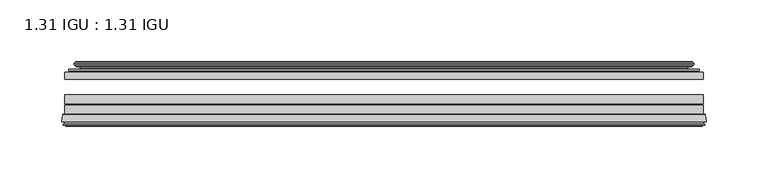
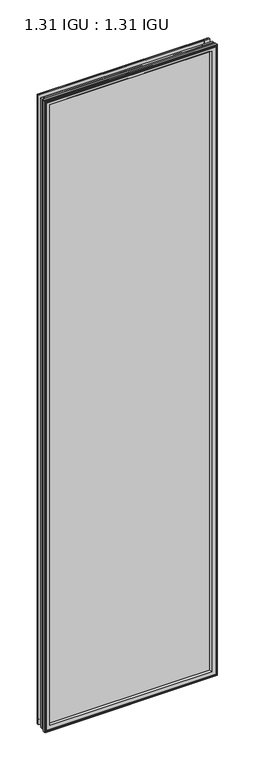
"""IFC4 building model written with IfcOpenShell, lengths in millimetres: plate geometry, 1.31 IGU : 1.31 IGU."""

import ifcopenshell
import ifcopenshell.guid

model = None  # the IFC model being written
_history = None  # IfcOwnerHistory: only IFC2X3 demands one
_inside = {}  # id of a spatial element -> (the spatial element, [elements in it])
_under = {}  # id of a project, library or spatial element -> (it, [spatial elements below it])
_declared = {}  # id of a project -> (the project, [libraries it declares])
_typed = {}  # id of a type object -> (the type object, [elements of that type])
_made_of = {}  # id of a material, layer set ... -> (it, [elements and type objects made of it])


def new_model(schema):
    """Start an empty IFC model of exactly this schema.

    Asked for "IFC4X3", IfcOpenShell would pick the latest addendum, in which some entities
    have other attributes; the version numbers below select the first issue.
    IFC2X3 requires an IfcOwnerHistory on every rooted entity: one is made here for all.
    """
    global model, _history
    if schema == "IFC4X3":
        model = ifcopenshell.file(schema_version=(4, 3, 0, 0))
    else:
        model = ifcopenshell.file(schema=schema)
    _inside.clear()
    _under.clear()
    _declared.clear()
    _typed.clear()
    _made_of.clear()
    _history = None
    if model.schema == "IFC2X3":
        org = make("IfcOrganization", Name="unknown")
        user = make(
            "IfcPersonAndOrganization",
            ThePerson=make("IfcPerson", FamilyName="unknown"),
            TheOrganization=org,
        )
        app = make(
            "IfcApplication",
            ApplicationDeveloper=org,
            Version="unknown",
            ApplicationFullName="unknown",
            ApplicationIdentifier="unknown",
        )
        _history = make(
            "IfcOwnerHistory",
            OwningUser=user,
            OwningApplication=app,
            ChangeAction="ADDED",
            CreationDate=0,
        )
    return model


def make(cls, **values):
    """One entity of the class cls with the attributes given. An attribute that is None is left unset."""
    return model.create_entity(
        cls, **{name: value for name, value in values.items() if value is not None}
    )


def rooted(cls, **values):
    """An entity with a GlobalId (a new one), such as an element, a storey or a relation."""
    return make(cls, GlobalId=ifcopenshell.guid.new(), OwnerHistory=_history, **values)


def si_unit(unit_type, name, prefix=None):
    """IfcSIUnit, for example si_unit("LENGTHUNIT", "METRE", prefix="MILLI")."""
    return make("IfcSIUnit", UnitType=unit_type, Prefix=prefix, Name=name)


def assignment(units):
    """IfcUnitAssignment: the units of a project."""
    return None if units is None else make("IfcUnitAssignment", Units=units)


def point(xyz):
    """IfcCartesianPoint."""
    return None if xyz is None else make("IfcCartesianPoint", Coordinates=xyz)


def direction(xyz):
    """IfcDirection."""
    return None if xyz is None else make("IfcDirection", DirectionRatios=xyz)


def frame(location, z_axis=None, x_axis=None):
    """IfcAxis2Placement3D, a coordinate frame: its origin and axes. An axis left out is left unset."""
    return make(
        "IfcAxis2Placement3D",
        Location=point(location),
        Axis=direction(z_axis),
        RefDirection=direction(x_axis),
    )


def origin():
    """The frame at (0, 0, 0) with its axes left unset."""
    return frame((0.0, 0.0, 0.0))


def place(relative_to, where):
    """IfcLocalPlacement: puts the frame where relative to a parent placement (None: the world)."""
    return make(
        "IfcLocalPlacement", PlacementRelTo=relative_to, RelativePlacement=where
    )


def context(
    kind, dimensions, precision=None, world=None, true_north=None, identifier=None
):
    """IfcGeometricRepresentationContext, for example the 3D "Model" context."""
    return make(
        "IfcGeometricRepresentationContext",
        ContextIdentifier=identifier,
        ContextType=kind,
        CoordinateSpaceDimension=dimensions,
        Precision=precision,
        WorldCoordinateSystem=world,
        TrueNorth=true_north,
    )


def project(units=None, contexts=None):
    """IfcProject with its units and contexts."""
    return rooted(
        "IfcProject",
        Name="project",
        RepresentationContexts=contexts,
        UnitsInContext=assignment(units),
    )


def spatial(cls, under=None, at=None, **own):
    """A site, building, storey or space (cls), placed at a placement, below another one or the project."""
    s = rooted(cls, ObjectPlacement=at, **own)
    if under is not None:
        _under.setdefault(under.id(), (under, []))[1].append(s)
    return s


def polyline(points):
    """IfcPolyline through the points."""
    return make("IfcPolyline", Points=[point(p) for p in points])


def ellipse_curve(where, semi_axis1, semi_axis2):
    """IfcEllipse in the frame where."""
    return make(
        "IfcEllipse", Position=where, SemiAxis1=semi_axis1, SemiAxis2=semi_axis2
    )


def outline(outer, holes=None, kind="AREA"):
    """IfcArbitraryClosedProfileDef: a profile drawn as a closed curve; with holes, ...WithVoids."""
    if holes is None:
        return make("IfcArbitraryClosedProfileDef", ProfileType=kind, OuterCurve=outer)
    return make(
        "IfcArbitraryProfileDefWithVoids",
        ProfileType=kind,
        OuterCurve=outer,
        InnerCurves=holes,
    )


def extrude(swept, where, along, depth):
    """IfcExtrudedAreaSolid: the profile swept, set in the frame where, extruded along a direction by depth."""
    return make(
        "IfcExtrudedAreaSolid",
        SweptArea=swept,
        Position=where,
        ExtrudedDirection=direction(along),
        Depth=depth,
    )


def shape(context_of_items, identifier, shape_type, items):
    """IfcShapeRepresentation: the items that make up one representation, for example the "Body"."""
    return make(
        "IfcShapeRepresentation",
        ContextOfItems=context_of_items,
        RepresentationIdentifier=identifier,
        RepresentationType=shape_type,
        Items=items,
    )


def source(mapping_origin, context_of_items, identifier, shape_type, items):
    """IfcRepresentationMap: a shape defined once, which mapped items show again and again."""
    return make(
        "IfcRepresentationMap",
        MappingOrigin=mapping_origin,
        MappedRepresentation=shape(context_of_items, identifier, shape_type, items),
    )


def transform(
    local_origin,
    x_axis=None,
    y_axis=None,
    z_axis=None,
    scale=None,
    scale2=None,
    scale3=None,
    uniform=True,
):
    """IfcCartesianTransformationOperator3D, or its non-uniform kind. x_axis, y_axis, z_axis: its Axis1, 2, 3."""
    if uniform:
        return make(
            "IfcCartesianTransformationOperator3D",
            Axis1=direction(x_axis),
            Axis2=direction(y_axis),
            LocalOrigin=point(local_origin),
            Scale=scale,
            Axis3=direction(z_axis),
        )
    return make(
        "IfcCartesianTransformationOperator3DnonUniform",
        Axis1=direction(x_axis),
        Axis2=direction(y_axis),
        LocalOrigin=point(local_origin),
        Scale=scale,
        Axis3=direction(z_axis),
        Scale2=scale2,
        Scale3=scale3,
    )


def mapped(mapping_source, mapping_target):
    """IfcMappedItem: shows the shape of a source again, moved by a transform."""
    return make(
        "IfcMappedItem", MappingSource=mapping_source, MappingTarget=mapping_target
    )


def made_of(thing, what):
    """Note that an element or type object is made of a material, layer set ...; save() writes the relation."""
    if what is not None:
        _made_of.setdefault(what.id(), (what, []))[1].append(thing)
    return thing


def element(
    cls,
    number,
    at=None,
    inside=None,
    cuts=None,
    type_object=None,
    material=None,
    context=None,
    identifier="Body",
    shape_type=None,
    held_by="IfcProductDefinitionShape",
    body=None,
    shapes=None,
    **own,
):
    """One element of the class cls, such as IfcWall. Its Tag is "e" and its number.

    at: its placement. inside: the storey or other place that contains it. cuts: it is an
    opening in that element (IfcRelVoidsElement). A single representation is given by context,
    identifier, shape_type and body (its items); several are given by shapes. held_by: the class
    of the entity that holds the representations. save() writes the other relations.
    """
    e = rooted(cls, Tag="e%d" % number, ObjectPlacement=at, **own)
    if body is not None:
        shapes = [shape(context, identifier, shape_type, body)]
    if shapes is not None:
        e.Representation = make(held_by, Representations=shapes)
    if inside is not None:
        _inside.setdefault(inside.id(), (inside, []))[1].append(e)
    if cuts is not None:
        rooted(
            "IfcRelVoidsElement", RelatingBuildingElement=cuts, RelatedOpeningElement=e
        )
    if type_object is not None:
        _typed.setdefault(type_object.id(), (type_object, []))[1].append(e)
    return made_of(e, material)


def aggregate(whole, parts):
    """IfcRelAggregates: a whole, such as a stair, and the parts it consists of."""
    return rooted("IfcRelAggregates", RelatingObject=whole, RelatedObjects=parts)


def save(model, path):
    """Write the relations noted so far, then the file.

    IfcRelAggregates (storeys below a building ...), IfcRelContainedInSpatialStructure (elements
    in a storey), IfcRelDefinesByType, IfcRelAssociatesMaterial and IfcRelDeclares: one each for
    every whole, place, type object, material and project.
    """
    for whole, parts in _under.values():
        aggregate(whole, parts)
    for where, things in _inside.values():
        rooted(
            "IfcRelContainedInSpatialStructure",
            RelatedElements=things,
            RelatingStructure=where,
        )
    for kind, things in _typed.values():
        rooted("IfcRelDefinesByType", RelatedObjects=things, RelatingType=kind)
    for what, things in _made_of.values():
        rooted("IfcRelAssociatesMaterial", RelatedObjects=things, RelatingMaterial=what)
    for by, libraries in _declared.values():
        rooted("IfcRelDeclares", RelatingContext=by, RelatedDefinitions=libraries)
    model.write(path)


def plane_surface(at):
    """IfcPlane: the flat surface through the origin of the frame at, square to its z axis."""
    return make("IfcPlane", Position=at)


def cylinder_surface(at, radius):
    """IfcCylindricalSurface: all points at the distance radius from the z axis of the frame at."""
    return make("IfcCylindricalSurface", Position=at, Radius=radius)


def revolved_surface(curve, axis_point, axis_direction):
    """IfcSurfaceOfRevolution: the curve turned about the line through axis_point along axis_direction."""
    return make(
        "IfcSurfaceOfRevolution",
        SweptCurve=make("IfcArbitraryOpenProfileDef", ProfileType="CURVE", Curve=curve),
        AxisPosition=make("IfcAxis1Placement", Location=point(axis_point), Axis=direction(axis_direction)),
    )


def advanced_brep(points, edges, surfaces, faces):
    """IfcAdvancedBrep: a solid bounded by faces that lie on surfaces and meet in shared edges.

    An edge is (start, end): straight between two places in points (the first is 0);
    or (start, end, curve); or (start, end, curve, False) where it runs against its curve.
    A face is (place in surfaces, loops), or (place, loops, False) where it looks against
    its surface's normal. A loop lists edges by number (the first is 1), with a minus sign
    where the edge is run from its end to its start. The first loop is the outer one.
    """
    corners = [point(p) for p in points]
    vertices = [make("IfcVertexPoint", VertexGeometry=c) for c in corners]
    made = []
    for start, end, *more in edges:
        made.append(
            make(
                "IfcEdgeCurve",
                EdgeStart=vertices[start],
                EdgeEnd=vertices[end],
                EdgeGeometry=more[0] if more else make("IfcPolyline", Points=[corners[start], corners[end]]),
                SameSense=more[1] if len(more) > 1 else True,
            )
        )
    hull = []
    for where, loops, *sense in faces:
        bounds = []
        for j, loop in enumerate(loops):
            ring = [make("IfcOrientedEdge", EdgeElement=made[abs(k) - 1], Orientation=k > 0) for k in loop]
            bounds.append(
                make(
                    "IfcFaceOuterBound" if j == 0 else "IfcFaceBound",
                    Bound=make("IfcEdgeLoop", EdgeList=ring),
                    Orientation=True,
                )
            )
        hull.append(make("IfcAdvancedFace", Bounds=bounds, FaceSurface=surfaces[where], SameSense=sense[0] if sense else True))
    return make("IfcAdvancedBrep", Outer=make("IfcClosedShell", CfsFaces=hull))


def plate_1_31_igu_1_31_igu_8d2aa2a3(model_context):
    return source(origin(), model_context, "Body", "SolidModel", [
        extrude(outline(polyline([(258.7575649, -44.8960875), (258.7575649, -50.4332875), (-258.7625, -50.4332875), (-258.7625, -44.8960875), (258.7575649, -44.8960875)])), frame((0.0, 0.0, -14.2875), z_axis=(0.0, 0.0, 1.0), x_axis=(1.0, 0.0, 0.0)), (0.0, 0.0, 1.0), 2009.67848),
        extrude(outline(polyline([(-258.7625, -78.7796875), (-258.7625, -71.7692875), (258.7575649, -71.7692875), (258.7575649, -78.7796875), (-258.7625, -78.7796875)])), frame((0.0, 0.0, -14.2875), z_axis=(0.0, 0.0, 1.0), x_axis=(1.0, 0.0, 0.0)), (0.0, 0.0, 1.0), 2009.67848),
        extrude(outline(polyline([(-258.7625, -70.2452875), (-258.7625, -63.1332875), (258.7575649, -63.1332875), (258.7575649, -70.2452875), (-258.7625, -70.2452875)])), frame((0.0, 0.0, -14.2875), z_axis=(0.0, 0.0, 1.0), x_axis=(1.0, 0.0, 0.0)), (0.0, 0.0, 1.0), 2009.67848),
        advanced_brep(
        [(-261.3094039, -85.1296875, 1997.9378839), (-260.6146201, -79.4711276, 1997.2431001), (-260.6146201, -79.4711276, -16.1396201), (-261.3094039, -85.1296875, -16.8344039), (-258.9218039, -87.1207518, 1995.5502839), (-259.3790039, -85.1296875, 1996.0074839), (-259.3790039, -85.1296875, -14.9040039), (-258.9218039, -87.1207518, -14.4468039), (-259.9231658, -86.8524376, 1996.5516458), (-259.9231658, -86.8524376, -15.4481658), (-260.1664039, -87.7602147, 1996.7948839), (-260.1664039, -87.7602147, -15.6914039), (-258.1344039, -88.3046875, 1994.7628839), (-258.1344039, -88.3046875, -13.6594039), (-256.1024039, -87.7602147, 1992.7308839), (-256.1024039, -87.7602147, -11.6274039), (-256.3456421, -86.8524376, 1992.9741221), (-256.3456421, -86.8524376, -11.8706421), (-257.3470039, -87.1207518, 1993.9754839), (-257.3470039, -87.1207518, -12.8720039), (-256.8898039, -85.1296875, 1993.5182839), (-256.8898039, -85.1296875, -12.4148039), (-259.8330893, -78.7796875, 1996.4615693), (-259.8330893, -78.7796875, -15.3580893), (260.6146201, -79.4711276, -16.1396201), (261.3094039, -85.1296875, -16.8344039), (259.3790039, -85.1296875, -14.9040039), (258.9218039, -87.1207518, -14.4468039), (259.9231658, -86.8524376, -15.4481658), (260.1664039, -87.7602147, -15.6914039), (258.1344039, -88.3046875, -13.6594039), (256.1024039, -87.7602147, -11.6274039), (256.3456421, -86.8524376, -11.8706421), (257.3470039, -87.1207518, -12.8720039), (256.8898039, -85.1296875, -12.4148039), (259.8330893, -78.7796875, -15.3580893), (260.6146201, -79.4711276, 1997.2431001), (261.3094039, -85.1296875, 1997.9378839), (259.3790039, -85.1296875, 1996.0074839), (258.9218039, -87.1207518, 1995.5502839), (259.9231658, -86.8524376, 1996.5516458), (260.1664039, -87.7602147, 1996.7948839), (258.1344039, -88.3046875, 1994.7628839), (256.1024039, -87.7602147, 1992.7308839), (256.3456421, -86.8524376, 1992.9741221), (257.3470039, -87.1207518, 1993.9754839), (256.8898039, -85.1296875, 1993.5182839), (259.8330893, -78.7796875, 1996.4615693), (-244.4872131, -85.1296875, 1981.1156931), (244.4872131, -85.1296875, 1981.1156931), (244.4872131, -85.1296875, -0.0122131), (-244.4872131, -85.1296875, -0.0122131), (-241.1709362, -78.7796875, 3.3040638), (241.1709362, -78.7796875, 3.3040638), (241.1709362, -78.7796875, 1977.7994162), (-241.1709362, -78.7796875, 1977.7994162)],
        [
            (0, 1),
            (1, 2),
            (2, 3),
            (3, 0),
            (4, 5),
            (5, 6),
            (6, 7),
            (7, 4),
            (8, 4),
            (7, 9),
            (9, 8),
            (10, 8),
            (9, 11),
            (11, 10),
            (12, 10),
            (11, 13),
            (13, 12),
            (14, 12),
            (13, 15),
            (15, 14),
            (16, 14),
            (15, 17),
            (17, 16),
            (18, 16),
            (17, 19),
            (19, 18),
            (20, 18),
            (19, 21),
            (21, 20),
            (1, 22, ellipse_curve(frame((-259.8330893, -79.5670875, 1996.4615693), z_axis=(-0.7071067811865475, 0.0, -0.7071067811865475), x_axis=(-0.7071067811865474, 0.0, 0.7071067811865476)), 1.1135518, 0.7874)),
            (22, 23),
            (23, 2, ellipse_curve(frame((-259.8330893, -79.5670875, -15.3580893), z_axis=(-0.7071067811865475, 0.0, 0.7071067811865475), x_axis=(0.7071067811865474, 0.0, 0.7071067811865476)), 1.1135518, 0.7874)),
            (2, 24),
            (24, 25),
            (25, 3),
            (6, 26),
            (26, 27),
            (27, 7),
            (27, 28),
            (28, 9),
            (28, 29),
            (29, 11),
            (29, 30),
            (30, 13),
            (30, 31),
            (31, 15),
            (31, 32),
            (32, 17),
            (32, 33),
            (33, 19),
            (33, 34),
            (34, 21),
            (23, 35),
            (35, 24, ellipse_curve(frame((259.8330893, -79.5670875, -15.3580893), z_axis=(-0.7071067811865475, 0.0, -0.7071067811865475), x_axis=(-0.7071067811865476, 0.0, 0.7071067811865474)), 1.1135518, 0.7874)),
            (24, 36),
            (36, 37),
            (37, 25),
            (26, 38),
            (38, 39),
            (39, 27),
            (39, 40),
            (40, 28),
            (40, 41),
            (41, 29),
            (41, 42),
            (42, 30),
            (42, 43),
            (43, 31),
            (43, 44),
            (44, 32),
            (44, 45),
            (45, 33),
            (45, 46),
            (46, 34),
            (35, 47),
            (47, 36, ellipse_curve(frame((259.8330893, -79.5670875, 1996.4615693), z_axis=(0.7071067811865475, 0.0, -0.7071067811865475), x_axis=(-0.7071067811865474, 0.0, -0.7071067811865476)), 1.1135518, 0.7874)),
            (36, 1),
            (0, 37),
            (5, 38),
            (4, 39),
            (8, 40),
            (10, 41),
            (12, 42),
            (14, 43),
            (16, 44),
            (18, 45),
            (20, 46),
            (48, 49),
            (49, 50),
            (50, 51),
            (51, 48),
            (22, 47),
            (52, 53),
            (53, 54),
            (54, 55),
            (55, 52),
            (55, 48, ellipse_curve(frame((-233.2379182, -86.963653, 1969.8663982), z_axis=(0.7071067811865475, 0.0, 0.7071067811865475), x_axis=(0.7071067811865474, 0.0, -0.7071067811865476)), 16.118937, 11.3978097)),
            (51, 52, ellipse_curve(frame((-233.2379182, -86.963653, 11.2370818), z_axis=(0.7071067811865475, 0.0, -0.7071067811865475), x_axis=(-0.7071067811865474, 0.0, -0.7071067811865476)), 16.118937, 11.3978097)),
            (50, 53, ellipse_curve(frame((233.2379182, -86.963653, 11.2370818), z_axis=(0.7071067811865475, 0.0, 0.7071067811865475), x_axis=(0.7071067811865476, 0.0, -0.7071067811865474)), 16.118937, 11.3978097)),
            (49, 54, ellipse_curve(frame((233.2379182, -86.963653, 1969.8663982), z_axis=(-0.7071067811865475, 0.0, 0.7071067811865475), x_axis=(0.7071067811865474, 0.0, 0.7071067811865476)), 16.118937, 11.3978097)),
        ],
        [
            plane_surface(frame((-260.6146201, -79.4711276, 1997.2431001), z_axis=(-0.9925461516413008, 0.12186934340532068, 0.0), x_axis=(0.0, 0.0, -1.0))),
            plane_surface(frame((-259.3790039, -85.1296875, 1996.0074839), z_axis=(-0.9746347637895997, -0.22380142361654332, 0.0), x_axis=(0.0, 0.0, -1.0))),
            plane_surface(frame((-258.9218039, -87.1207518, 1995.5502839), z_axis=(0.25881904510266784, 0.9659258262890289, 0.0), x_axis=(0.0, 0.0, -1.0))),
            plane_surface(frame((-259.9231658, -86.8524376, 1996.5516458), z_axis=(-0.9659258262890449, 0.2588190451026083, 0.0), x_axis=(0.0, 0.0, -1.0))),
            plane_surface(frame((-260.1664039, -87.7602147, 1996.7948839), z_axis=(-0.2588190451025689, -0.9659258262890554, 0.0), x_axis=(0.0, 0.0, -1.0))),
            plane_surface(frame((-258.1344039, -88.3046875, 1994.7628839), z_axis=(0.25881904510241466, -0.9659258262890968, 0.0), x_axis=(0.0, 0.0, -1.0))),
            plane_surface(frame((-256.1024039, -87.7602147, 1992.7308839), z_axis=(0.9659258262890272, 0.25881904510267406, 0.0), x_axis=(0.0, 0.0, -1.0))),
            plane_surface(frame((-256.3456421, -86.8524376, 1992.9741221), z_axis=(-0.25881904510234177, 0.9659258262891163, 0.0), x_axis=(0.0, 0.0, -1.0))),
            plane_surface(frame((-257.3470039, -87.1207518, 1993.9754839), z_axis=(0.9746347637895936, -0.2238014236165695, 0.0), x_axis=(0.0, 0.0, -1.0))),
            cylinder_surface(frame((-259.8330893, -79.5670875, 2012.85348), z_axis=(0.0, 0.0, 1.0), x_axis=(-1.0, 0.0, 0.0)), 0.7874),
            plane_surface(frame((-260.6146201, -79.4711276, -16.1396201), z_axis=(0.0, 0.12186934340531747, -0.9925461516413012), x_axis=(1.0, 0.0, 0.0))),
            plane_surface(frame((-259.3790039, -85.1296875, -14.9040039), z_axis=(0.0, -0.22380142361654648, -0.9746347637895989), x_axis=(1.0, 0.0, 0.0))),
            plane_surface(frame((-258.9218039, -87.1207518, -14.4468039), z_axis=(0.0, 0.9659258262890298, 0.25881904510266474), x_axis=(1.0, 0.0, 0.0))),
            plane_surface(frame((-259.9231658, -86.8524376, -15.4481658), z_axis=(0.0, 0.25881904510260517, -0.9659258262890458), x_axis=(1.0, 0.0, 0.0))),
            plane_surface(frame((-260.1664039, -87.7602147, -15.6914039), z_axis=(0.0, -0.9659258262890563, -0.2588190451025658), x_axis=(1.0, 0.0, 0.0))),
            plane_surface(frame((-258.1344039, -88.3046875, -13.6594039), z_axis=(0.0, -0.965925826289096, 0.25881904510241777), x_axis=(1.0, 0.0, 0.0))),
            plane_surface(frame((-256.1024039, -87.7602147, -11.6274039), z_axis=(0.0, 0.2588190451026772, 0.9659258262890265), x_axis=(1.0, 0.0, 0.0))),
            plane_surface(frame((-256.3456421, -86.8524376, -11.8706421), z_axis=(0.0, 0.9659258262891154, -0.2588190451023449), x_axis=(1.0, 0.0, 0.0))),
            plane_surface(frame((-257.3470039, -87.1207518, -12.8720039), z_axis=(0.0, -0.22380142361656633, 0.9746347637895943), x_axis=(1.0, 0.0, 0.0))),
            cylinder_surface(frame((-276.225, -79.5670875, -15.3580893), z_axis=(-1.0, 0.0, 0.0), x_axis=(0.0, 0.0, -1.0)), 0.7874),
            plane_surface(frame((260.6146201, -79.4711276, -16.1396201), z_axis=(0.9925461516413017, 0.12186934340531425, 0.0), x_axis=(0.0, 0.0, 1.0))),
            plane_surface(frame((259.3790039, -85.1296875, -14.9040039), z_axis=(0.9746347637895981, -0.22380142361654964, 0.0), x_axis=(0.0, 0.0, 1.0))),
            plane_surface(frame((258.9218039, -87.1207518, -14.4468039), z_axis=(-0.2588190451026616, 0.9659258262890307, 0.0), x_axis=(0.0, 0.0, 1.0))),
            plane_surface(frame((259.9231658, -86.8524376, -15.4481658), z_axis=(0.9659258262890467, 0.25881904510260206, 0.0), x_axis=(0.0, 0.0, 1.0))),
            plane_surface(frame((260.1664039, -87.7602147, -15.6914039), z_axis=(0.2588190451025627, -0.9659258262890572, 0.0), x_axis=(0.0, 0.0, 1.0))),
            plane_surface(frame((258.1344039, -88.3046875, -13.6594039), z_axis=(-0.2588190451024209, -0.9659258262890951, 0.0), x_axis=(0.0, 0.0, 1.0))),
            plane_surface(frame((256.1024039, -87.7602147, -11.6274039), z_axis=(-0.9659258262890256, 0.25881904510268033, 0.0), x_axis=(0.0, 0.0, 1.0))),
            plane_surface(frame((256.3456421, -86.8524376, -11.8706421), z_axis=(0.25881904510234804, 0.9659258262891146, 0.0), x_axis=(0.0, 0.0, 1.0))),
            plane_surface(frame((257.3470039, -87.1207518, -12.8720039), z_axis=(-0.9746347637895951, -0.22380142361656316, 0.0), x_axis=(0.0, 0.0, 1.0))),
            cylinder_surface(frame((259.8330893, -79.5670875, -31.75), z_axis=(0.0, 0.0, -1.0), x_axis=(1.0, 0.0, 0.0)), 0.7874),
            plane_surface(frame((260.6146201, -79.4711276, 1997.2431001), z_axis=(0.0, 0.12186934340531747, 0.9925461516413012), x_axis=(-1.0, 0.0, 0.0))),
            plane_surface(frame((261.3094039, -85.1296875, 1997.9378839), z_axis=(0.0, -1.0, 0.0), x_axis=(-1.0, 0.0, 0.0))),
            plane_surface(frame((259.3790039, -85.1296875, 1996.0074839), z_axis=(0.0, -0.22380142361654648, 0.9746347637895989), x_axis=(-1.0, 0.0, 0.0))),
            plane_surface(frame((258.9218039, -87.1207518, 1995.5502839), z_axis=(0.0, 0.9659258262890298, -0.25881904510266474), x_axis=(-1.0, 0.0, 0.0))),
            plane_surface(frame((259.9231658, -86.8524376, 1996.5516458), z_axis=(0.0, 0.25881904510260517, 0.9659258262890458), x_axis=(-1.0, 0.0, 0.0))),
            plane_surface(frame((260.1664039, -87.7602147, 1996.7948839), z_axis=(0.0, -0.9659258262890563, 0.2588190451025658), x_axis=(-1.0, 0.0, 0.0))),
            plane_surface(frame((258.1344039, -88.3046875, 1994.7628839), z_axis=(0.0, -0.965925826289096, -0.25881904510241777), x_axis=(-1.0, 0.0, 0.0))),
            plane_surface(frame((256.1024039, -87.7602147, 1992.7308839), z_axis=(0.0, 0.2588190451026772, -0.9659258262890265), x_axis=(-1.0, 0.0, 0.0))),
            plane_surface(frame((256.3456421, -86.8524376, 1992.9741221), z_axis=(0.0, 0.9659258262891155, 0.25881904510234494), x_axis=(-1.0, 0.0, 0.0))),
            plane_surface(frame((257.3470039, -87.1207518, 1993.9754839), z_axis=(0.0, -0.22380142361656633, -0.9746347637895943), x_axis=(-1.0, 0.0, 0.0))),
            plane_surface(frame((256.8898039, -85.1296875, 1993.5182839), z_axis=(0.0, -1.0, 0.0), x_axis=(-1.0, 0.0, 0.0))),
            plane_surface(frame((241.1709362, -78.7796875, 1977.7994162), z_axis=(0.0, 1.0, 0.0), x_axis=(-1.0, 0.0, 0.0))),
            cylinder_surface(frame((276.225, -79.5670875, 1996.4615693), z_axis=(1.0, 0.0, 0.0), x_axis=(0.0, 0.0, 1.0)), 0.7874),
            revolved_surface(polyline([(-244.6357279, -86.963653, -0.1607278582187064), (-244.6357279, -86.963653, 1981.2642078582187)]), (-233.2379182, -86.963653, 2012.85348), (0.0, 0.0, -1.0)),
            revolved_surface(polyline([(244.63572785821873, -86.963653, -0.16072789999999948), (-244.63572785821873, -86.963653, -0.16072789999999948)]), (-276.225, -86.963653, 11.2370818), (1.0, 0.0, 0.0)),
            revolved_surface(polyline([(244.6357279, -86.963653, 1981.2642078582187), (244.6357279, -86.963653, -0.16072785821874191)]), (233.2379182, -86.963653, -31.75), (0.0, 0.0, 1.0)),
            revolved_surface(polyline([(-244.63572785821873, -86.963653, 1981.2642079), (244.63572785821873, -86.963653, 1981.2642079)]), (276.225, -86.963653, 1969.8663982), (-1.0, 0.0, 0.0)),
        ],
        [
            (0, [[1, 2, 3, 4]]),
            (1, [[5, 6, 7, 8]]),
            (2, [[9, -8, 10, 11]]),
            (3, [[12, -11, 13, 14]]),
            (4, [[15, -14, 16, 17]]),
            (5, [[18, -17, 19, 20]]),
            (6, [[21, -20, 22, 23]]),
            (7, [[24, -23, 25, 26]]),
            (8, [[27, -26, 28, 29]]),
            (9, [[30, 31, 32, -2]]),
            (10, [[-3, 33, 34, 35]]),
            (11, [[-7, 36, 37, 38]]),
            (12, [[-10, -38, 39, 40]]),
            (13, [[-13, -40, 41, 42]]),
            (14, [[-16, -42, 43, 44]]),
            (15, [[-19, -44, 45, 46]]),
            (16, [[-22, -46, 47, 48]]),
            (17, [[-25, -48, 49, 50]]),
            (18, [[-28, -50, 51, 52]]),
            (19, [[-32, 53, 54, -33]]),
            (20, [[-34, 55, 56, 57]]),
            (21, [[-37, 58, 59, 60]]),
            (22, [[-39, -60, 61, 62]]),
            (23, [[-41, -62, 63, 64]]),
            (24, [[-43, -64, 65, 66]]),
            (25, [[-45, -66, 67, 68]]),
            (26, [[-47, -68, 69, 70]]),
            (27, [[-49, -70, 71, 72]]),
            (28, [[-51, -72, 73, 74]]),
            (29, [[-54, 75, 76, -55]]),
            (30, [[-56, 77, -1, 78]]),
            (31, [[-35, -57, -78, -4], [79, -58, -36, -6]]),
            (32, [[-59, -79, -5, 80]]),
            (33, [[-61, -80, -9, 81]]),
            (34, [[-63, -81, -12, 82]]),
            (35, [[-65, -82, -15, 83]]),
            (36, [[-67, -83, -18, 84]]),
            (37, [[-69, -84, -21, 85]]),
            (38, [[-71, -85, -24, 86]]),
            (39, [[-73, -86, -27, 87]]),
            (40, [[-52, -74, -87, -29], [88, 89, 90, 91]]),
            (41, [[92, -75, -53, -31], [93, 94, 95, 96]]),
            (42, [[-76, -92, -30, -77]]),
            (43, [[97, -91, 98, -96]]),
            (44, [[-98, -90, 99, -93]]),
            (45, [[-99, -89, 100, -94]]),
            (46, [[-100, -88, -97, -95]]),
        ],
    ),
        advanced_brep(
        [(-249.4171755, -37.7373382, 1986.0456555), (-244.4755426, -36.3108875, 1981.1040226), (-244.4755426, -36.3108875, -0.0005426), (-249.4171755, -37.7373382, -4.9421755), (-249.2520702, -36.9605789, 1985.8805502), (-249.2520702, -36.9605789, -4.7770702), (-249.8475559, -36.4771203, 1986.4760359), (-249.8475559, -36.4771203, -5.3725559), (-251.1121917, -37.766076, 1987.7406717), (-251.1121917, -37.766076, -6.6371917), (-251.1013749, -38.8797852, 1987.7298549), (-251.1013749, -38.8797852, -6.6263749), (-249.8198897, -40.1361433, 1986.4483697), (-249.8198897, -40.1361433, -5.3448897), (-249.2148829, -39.649943, 1985.8433629), (-249.2148829, -39.649943, -4.7398829), (-249.7688972, -39.0959287, 1986.3973772), (-249.7688972, -39.0959287, -5.2938972), (-247.4830887, -38.7029881, 1984.1115687), (-247.4830887, -38.7029881, -3.0080887), (-246.0240157, -40.2107282, 1982.6524957), (-246.0240157, -40.2107282, -1.5490157), (-246.3205976, -41.651269, 1982.9490776), (-246.3205976, -41.651269, -1.8455976), (-247.0918221, -42.2798875, 1983.7203021), (-247.0918221, -42.2798875, -2.6168221), (-255.3957984, -43.4871542, 1992.0242784), (-255.1205969, -42.2798875, 1991.7490769), (-255.1205969, -42.2798875, -10.6455969), (-255.3957984, -43.4871542, -10.9207984), (-251.9382297, -44.8960875, 1988.5667097), (-251.9382297, -44.8960875, -7.4632297), (-240.8406059, -44.023302, 1977.4690859), (-241.1959439, -44.8960875, 1977.8244239), (-241.1959439, -44.8960875, 3.2790561), (-240.8406059, -44.023302, 3.6343941), (-241.511804, -43.3681812, 1978.140284), (-241.511804, -43.3681812, 2.963196), (-243.1525946, -40.6686056, 1979.7810746), (-243.1525946, -40.6686056, 1.3224054), (244.4755426, -36.3108875, -0.0005426), (249.4171755, -37.7373382, -4.9421755), (249.2520702, -36.9605789, -4.7770702), (249.8475559, -36.4771203, -5.3725559), (251.1121917, -37.766076, -6.6371917), (251.1013749, -38.8797852, -6.6263749), (249.8198897, -40.1361433, -5.3448897), (249.2148829, -39.649943, -4.7398829), (249.7688972, -39.0959287, -5.2938972), (247.4830887, -38.7029881, -3.0080887), (246.0240157, -40.2107282, -1.5490157), (246.3205976, -41.651269, -1.8455976), (247.0918221, -42.2798875, -2.6168221), (255.1205969, -42.2798875, -10.6455969), (255.3957984, -43.4871542, -10.9207984), (251.9382297, -44.8960875, -7.4632297), (241.1959439, -44.8960875, 3.2790561), (240.8406059, -44.023302, 3.6343941), (241.511804, -43.3681812, 2.963196), (243.1525946, -40.6686056, 1.3224054), (244.4755426, -36.3108875, 1981.1040226), (249.4171755, -37.7373382, 1986.0456555), (249.2520702, -36.9605789, 1985.8805502), (249.8475559, -36.4771203, 1986.4760359), (251.1121917, -37.766076, 1987.7406717), (251.1013749, -38.8797852, 1987.7298549), (249.8198897, -40.1361433, 1986.4483697), (249.2148829, -39.649943, 1985.8433629), (249.7688972, -39.0959287, 1986.3973772), (247.4830887, -38.7029881, 1984.1115687), (246.0240157, -40.2107282, 1982.6524957), (246.3205976, -41.651269, 1982.9490776), (247.0918221, -42.2798875, 1983.7203021), (255.1205969, -42.2798875, 1991.7490769), (255.3957984, -43.4871542, 1992.0242784), (251.9382297, -44.8960875, 1988.5667097), (241.1959439, -44.8960875, 1977.8244239), (240.8406059, -44.023302, 1977.4690859), (241.511804, -43.3681812, 1978.140284), (243.1525946, -40.6686056, 1979.7810746)],
        [
            (0, 1),
            (1, 2),
            (2, 3),
            (3, 0),
            (4, 0),
            (3, 5),
            (5, 4),
            (6, 4, ellipse_curve(frame((-249.5725871, -36.746901, 1986.2010671), z_axis=(-0.7071067811865475, 0.0, -0.7071067811865475), x_axis=(-0.7071067811865474, 0.0, 0.7071067811865476)), 0.5447741, 0.3852135)),
            (5, 7, ellipse_curve(frame((-249.5725871, -36.746901, -5.0975871), z_axis=(-0.7071067811865475, 0.0, 0.7071067811865475), x_axis=(0.7071067811865474, 0.0, 0.7071067811865476)), 0.5447741, 0.3852135)),
            (7, 6),
            (8, 6),
            (7, 9),
            (9, 8),
            (10, 8, ellipse_curve(frame((-250.5501387, -38.3175243, 1987.1786187), z_axis=(-0.7071067811865475, 0.0, -0.7071067811865475), x_axis=(-0.7071067811865474, 0.0, 0.7071067811865476)), 1.1135518, 0.7874)),
            (9, 11, ellipse_curve(frame((-250.5501387, -38.3175243, -6.0751387), z_axis=(-0.7071067811865475, 0.0, 0.7071067811865475), x_axis=(0.7071067811865474, 0.0, 0.7071067811865476)), 1.1135518, 0.7874)),
            (11, 10),
            (12, 10),
            (11, 13),
            (13, 12),
            (14, 12, ellipse_curve(frame((-249.5462922, -39.8570738, 1986.1747722), z_axis=(-0.7071067811865475, 0.0, -0.7071067811865475), x_axis=(-0.7071067811865474, 0.0, 0.7071067811865476)), 0.552694, 0.3908137)),
            (13, 15, ellipse_curve(frame((-249.5462922, -39.8570738, -5.0712922), z_axis=(-0.7071067811865475, 0.0, 0.7071067811865475), x_axis=(0.7071067811865474, 0.0, 0.7071067811865476)), 0.552694, 0.3908137)),
            (15, 14),
            (16, 14),
            (15, 17),
            (17, 16),
            (18, 16),
            (17, 19),
            (19, 18),
            (20, 18, ellipse_curve(frame((-247.2679261, -39.954629, 1983.8964061), z_axis=(0.7071067811865475, 0.0, 0.7071067811865475), x_axis=(0.7071067811865474, 0.0, -0.7071067811865476)), 1.7960512, 1.27)),
            (19, 21, ellipse_curve(frame((-247.2679261, -39.954629, -2.7929261), z_axis=(0.7071067811865475, 0.0, -0.7071067811865475), x_axis=(-0.7071067811865474, 0.0, -0.7071067811865476)), 1.7960512, 1.27)),
            (21, 20),
            (22, 20),
            (21, 23),
            (23, 22),
            (24, 22, ellipse_curve(frame((-247.0918221, -41.4924875, 1983.7203021), z_axis=(0.7071067811865475, 0.0, 0.7071067811865475), x_axis=(0.7071067811865474, 0.0, -0.7071067811865476)), 1.1135518, 0.7874)),
            (23, 25, ellipse_curve(frame((-247.0918221, -41.4924875, -2.6168221), z_axis=(0.7071067811865475, 0.0, -0.7071067811865475), x_axis=(-0.7071067811865474, 0.0, -0.7071067811865476)), 1.1135518, 0.7874)),
            (25, 24),
            (26, 27, ellipse_curve(frame((-255.1205969, -42.9148875, 1991.7490769), z_axis=(-0.7071067811865475, 0.0, -0.7071067811865475), x_axis=(-0.7071067811865474, 0.0, 0.7071067811865476)), 0.8980256, 0.635)),
            (27, 28),
            (28, 29, ellipse_curve(frame((-255.1205969, -42.9148875, -10.6455969), z_axis=(-0.7071067811865475, 0.0, 0.7071067811865475), x_axis=(0.7071067811865474, 0.0, 0.7071067811865476)), 0.8980256, 0.635)),
            (29, 26),
            (30, 26),
            (29, 31),
            (31, 30),
            (32, 33, ellipse_curve(frame((-241.1959439, -44.3873602, 1977.8244239), z_axis=(-0.7071067811865475, 0.0, -0.7071067811865475), x_axis=(-0.7071067811865474, 0.0, 0.7071067811865476)), 0.719449, 0.5087273)),
            (33, 34),
            (34, 35, ellipse_curve(frame((-241.1959439, -44.3873602, 3.2790561), z_axis=(-0.7071067811865475, 0.0, 0.7071067811865475), x_axis=(0.7071067811865474, 0.0, 0.7071067811865476)), 0.719449, 0.5087273)),
            (35, 32),
            (36, 32),
            (35, 37),
            (37, 36),
            (38, 36, ellipse_curve(frame((-237.0764298, -38.823959, 1973.7049098), z_axis=(0.7071067811865475, 0.0, 0.7071067811865475), x_axis=(0.7071067811865474, 0.0, -0.7071067811865476)), 8.9802561, 6.35)),
            (37, 39, ellipse_curve(frame((-237.0764298, -38.823959, 7.3985702), z_axis=(0.7071067811865475, 0.0, -0.7071067811865475), x_axis=(-0.7071067811865474, 0.0, -0.7071067811865476)), 8.9802561, 6.35)),
            (39, 38),
            (1, 38),
            (39, 2),
            (2, 40),
            (40, 41),
            (41, 3),
            (41, 42),
            (42, 5),
            (42, 43, ellipse_curve(frame((249.5725871, -36.746901, -5.0975871), z_axis=(-0.7071067811865475, 0.0, -0.7071067811865475), x_axis=(-0.7071067811865476, 0.0, 0.7071067811865474)), 0.5447741, 0.3852135)),
            (43, 7),
            (43, 44),
            (44, 9),
            (44, 45, ellipse_curve(frame((250.5501387, -38.3175243, -6.0751387), z_axis=(-0.7071067811865475, 0.0, -0.7071067811865475), x_axis=(-0.7071067811865476, 0.0, 0.7071067811865474)), 1.1135518, 0.7874)),
            (45, 11),
            (45, 46),
            (46, 13),
            (46, 47, ellipse_curve(frame((249.5462922, -39.8570738, -5.0712922), z_axis=(-0.7071067811865475, 0.0, -0.7071067811865475), x_axis=(-0.7071067811865476, 0.0, 0.7071067811865474)), 0.552694, 0.3908137)),
            (47, 15),
            (47, 48),
            (48, 17),
            (48, 49),
            (49, 19),
            (49, 50, ellipse_curve(frame((247.2679261, -39.954629, -2.7929261), z_axis=(0.7071067811865475, 0.0, 0.7071067811865475), x_axis=(0.7071067811865476, 0.0, -0.7071067811865474)), 1.7960512, 1.27)),
            (50, 21),
            (50, 51),
            (51, 23),
            (51, 52, ellipse_curve(frame((247.0918221, -41.4924875, -2.6168221), z_axis=(0.7071067811865475, 0.0, 0.7071067811865475), x_axis=(0.7071067811865476, 0.0, -0.7071067811865474)), 1.1135518, 0.7874)),
            (52, 25),
            (28, 53),
            (53, 54, ellipse_curve(frame((255.1205969, -42.9148875, -10.6455969), z_axis=(-0.7071067811865475, 0.0, -0.7071067811865475), x_axis=(-0.7071067811865476, 0.0, 0.7071067811865474)), 0.8980256, 0.635)),
            (54, 29),
            (54, 55),
            (55, 31),
            (34, 56),
            (56, 57, ellipse_curve(frame((241.1959439, -44.3873602, 3.2790561), z_axis=(-0.7071067811865475, 0.0, -0.7071067811865475), x_axis=(-0.7071067811865476, 0.0, 0.7071067811865474)), 0.719449, 0.5087273)),
            (57, 35),
            (57, 58),
            (58, 37),
            (58, 59, ellipse_curve(frame((237.0764298, -38.823959, 7.3985702), z_axis=(0.7071067811865475, 0.0, 0.7071067811865475), x_axis=(0.7071067811865476, 0.0, -0.7071067811865474)), 8.9802561, 6.35)),
            (59, 39),
            (59, 40),
            (40, 60),
            (60, 61),
            (61, 41),
            (61, 62),
            (62, 42),
            (62, 63, ellipse_curve(frame((249.5725871, -36.746901, 1986.2010671), z_axis=(0.7071067811865475, 0.0, -0.7071067811865475), x_axis=(-0.7071067811865474, 0.0, -0.7071067811865476)), 0.5447741, 0.3852135)),
            (63, 43),
            (63, 64),
            (64, 44),
            (64, 65, ellipse_curve(frame((250.5501387, -38.3175243, 1987.1786187), z_axis=(0.7071067811865475, 0.0, -0.7071067811865475), x_axis=(-0.7071067811865474, 0.0, -0.7071067811865476)), 1.1135518, 0.7874)),
            (65, 45),
            (65, 66),
            (66, 46),
            (66, 67, ellipse_curve(frame((249.5462922, -39.8570738, 1986.1747722), z_axis=(0.7071067811865475, 0.0, -0.7071067811865475), x_axis=(-0.7071067811865474, 0.0, -0.7071067811865476)), 0.552694, 0.3908137)),
            (67, 47),
            (67, 68),
            (68, 48),
            (68, 69),
            (69, 49),
            (69, 70, ellipse_curve(frame((247.2679261, -39.954629, 1983.8964061), z_axis=(-0.7071067811865475, 0.0, 0.7071067811865475), x_axis=(0.7071067811865474, 0.0, 0.7071067811865476)), 1.7960512, 1.27)),
            (70, 50),
            (70, 71),
            (71, 51),
            (71, 72, ellipse_curve(frame((247.0918221, -41.4924875, 1983.7203021), z_axis=(-0.7071067811865475, 0.0, 0.7071067811865475), x_axis=(0.7071067811865474, 0.0, 0.7071067811865476)), 1.1135518, 0.7874)),
            (72, 52),
            (53, 73),
            (73, 74, ellipse_curve(frame((255.1205969, -42.9148875, 1991.7490769), z_axis=(0.7071067811865475, 0.0, -0.7071067811865475), x_axis=(-0.7071067811865474, 0.0, -0.7071067811865476)), 0.8980256, 0.635)),
            (74, 54),
            (74, 75),
            (75, 55),
            (56, 76),
            (76, 77, ellipse_curve(frame((241.1959439, -44.3873602, 1977.8244239), z_axis=(0.7071067811865475, 0.0, -0.7071067811865475), x_axis=(-0.7071067811865474, 0.0, -0.7071067811865476)), 0.719449, 0.5087273)),
            (77, 57),
            (77, 78),
            (78, 58),
            (78, 79, ellipse_curve(frame((237.0764298, -38.823959, 1973.7049098), z_axis=(-0.7071067811865475, 0.0, 0.7071067811865475), x_axis=(0.7071067811865474, 0.0, 0.7071067811865476)), 8.9802561, 6.35)),
            (79, 59),
            (79, 60),
            (60, 1),
            (0, 61),
            (4, 62),
            (6, 63),
            (8, 64),
            (10, 65),
            (12, 66),
            (14, 67),
            (16, 68),
            (18, 69),
            (20, 70),
            (22, 71),
            (24, 72),
            (27, 73),
            (26, 74),
            (30, 75),
            (33, 76),
            (32, 77),
            (36, 78),
            (38, 79),
        ],
        [
            plane_surface(frame((-244.4755426, -36.3108875, 1981.1040226), z_axis=(-0.27733649284928463, 0.9607728502273879, 0.0), x_axis=(0.0, 0.0, -1.0))),
            plane_surface(frame((-249.4171755, -37.7373382, 1986.0456555), z_axis=(0.9781476007338358, -0.2079116908176177, 0.0), x_axis=(0.0, 0.0, -1.0))),
            cylinder_surface(frame((-249.5725871, -36.746901, 2012.85348), z_axis=(0.0, 0.0, 1.0), x_axis=(-1.0, 0.0, 0.0)), 0.3852135),
            plane_surface(frame((-249.8475559, -36.4771203, 1986.4760359), z_axis=(-0.7138087599382162, 0.7003406701280928, 0.0), x_axis=(0.0, 0.0, -1.0))),
            cylinder_surface(frame((-250.5501387, -38.3175243, 2012.85348), z_axis=(0.0, 0.0, 1.0), x_axis=(-1.0, 0.0, 0.0)), 0.7874),
            plane_surface(frame((-251.1013749, -38.8797852, 1987.7298549), z_axis=(-0.7000714109283732, -0.7140728391423082, 0.0), x_axis=(0.0, 0.0, -1.0))),
            cylinder_surface(frame((-249.5462922, -39.8570738, 2012.85348), z_axis=(0.0, 0.0, 1.0), x_axis=(-1.0, 0.0, 0.0)), 0.3908137),
            plane_surface(frame((-249.2148829, -39.649943, 1985.8433629), z_axis=(0.7071067811861126, 0.7071067811869826, 0.0), x_axis=(0.0, 0.0, -1.0))),
            plane_surface(frame((-249.7688972, -39.0959287, 1986.3973772), z_axis=(0.16941940671011482, -0.9855440449974789, 0.0), x_axis=(0.0, 0.0, -1.0))),
            revolved_surface(polyline([(-248.53792610000002, -39.954629, -4.062926082878221), (-248.53792610000002, -39.954629, 1985.1664060828782)]), (-247.2679261, -39.954629, 2012.85348), (0.0, 0.0, -1.0)),
            plane_surface(frame((-246.0240157, -40.2107282, 1982.6524957), z_axis=(-0.9794570432566897, 0.20165292067030202, 0.0), x_axis=(0.0, 0.0, -1.0))),
            revolved_surface(polyline([(-247.8792221, -41.4924875, -3.4042221289826102), (-247.8792221, -41.4924875, 1984.5077021289826)]), (-247.0918221, -41.4924875, 2012.85348), (0.0, 0.0, -1.0)),
            cylinder_surface(frame((-255.1205969, -42.9148875, 2012.85348), z_axis=(0.0, 0.0, 1.0), x_axis=(-1.0, 0.0, 0.0)), 0.635),
            plane_surface(frame((-255.3957984, -43.4871542, 1992.0242784), z_axis=(-0.37736447542757934, -0.9260648209954139, 0.0), x_axis=(0.0, 0.0, -1.0))),
            cylinder_surface(frame((-241.1959439, -44.3873602, 2012.85348), z_axis=(0.0, 0.0, 1.0), x_axis=(-1.0, 0.0, 0.0)), 0.5087273),
            plane_surface(frame((-240.8406059, -44.023302, 1977.4690859), z_axis=(0.698484125849927, 0.7156255486884628, 0.0), x_axis=(0.0, 0.0, -1.0))),
            revolved_surface(polyline([(-243.4264298, -38.823959, 1.0485702148980636), (-243.4264298, -38.823959, 1980.054909785102)]), (-237.0764298, -38.823959, 2012.85348), (0.0, 0.0, -1.0)),
            plane_surface(frame((-243.1525946, -40.6686056, 1979.7810746), z_axis=(0.9568763473517009, 0.2904955350411895, 0.0), x_axis=(0.0, 0.0, -1.0))),
            plane_surface(frame((-244.4755426, -36.3108875, -0.0005426), z_axis=(0.0, 0.960772850227387, -0.27733649284928774), x_axis=(1.0, 0.0, 0.0))),
            plane_surface(frame((-249.4171755, -37.7373382, -4.9421755), z_axis=(0.0, -0.20791169081761454, 0.9781476007338364), x_axis=(1.0, 0.0, 0.0))),
            cylinder_surface(frame((-276.225, -36.746901, -5.0975871), z_axis=(-1.0, 0.0, 0.0), x_axis=(0.0, 0.0, -1.0)), 0.3852135),
            plane_surface(frame((-249.8475559, -36.4771203, -5.3725559), z_axis=(0.0, 0.7003406701280904, -0.7138087599382185), x_axis=(1.0, 0.0, 0.0))),
            cylinder_surface(frame((-276.225, -38.3175243, -6.0751387), z_axis=(-1.0, 0.0, 0.0), x_axis=(0.0, 0.0, -1.0)), 0.7874),
            plane_surface(frame((-251.1013749, -38.8797852, -6.6263749), z_axis=(0.0, -0.7140728391423105, -0.7000714109283709), x_axis=(1.0, 0.0, 0.0))),
            cylinder_surface(frame((-276.225, -39.8570738, -5.0712922), z_axis=(-1.0, 0.0, 0.0), x_axis=(0.0, 0.0, -1.0)), 0.3908137),
            plane_surface(frame((-249.2148829, -39.649943, -4.7398829), z_axis=(0.0, 0.7071067811869849, 0.7071067811861103), x_axis=(1.0, 0.0, 0.0))),
            plane_surface(frame((-249.7688972, -39.0959287, -5.2938972), z_axis=(0.0, -0.9855440449974784, 0.16941940671011801), x_axis=(1.0, 0.0, 0.0))),
            revolved_surface(polyline([(248.53792608287824, -39.954629, -4.0629261), (-248.53792608287824, -39.954629, -4.0629261)]), (-276.225, -39.954629, -2.7929261), (1.0, 0.0, 0.0)),
            plane_surface(frame((-246.0240157, -40.2107282, -1.5490157), z_axis=(0.0, 0.20165292067029883, -0.9794570432566904), x_axis=(1.0, 0.0, 0.0))),
            revolved_surface(polyline([(247.87922212898252, -41.4924875, -3.4042220999999997), (-247.8792221289825, -41.4924875, -3.4042220999999997)]), (-276.225, -41.4924875, -2.6168221), (1.0, 0.0, 0.0)),
            cylinder_surface(frame((-276.225, -42.9148875, -10.6455969), z_axis=(-1.0, 0.0, 0.0), x_axis=(0.0, 0.0, -1.0)), 0.635),
            plane_surface(frame((-255.3957984, -43.4871542, -10.9207984), z_axis=(0.0, -0.9260648209954151, -0.37736447542757634), x_axis=(1.0, 0.0, 0.0))),
            cylinder_surface(frame((-276.225, -44.3873602, 3.2790561), z_axis=(-1.0, 0.0, 0.0), x_axis=(0.0, 0.0, -1.0)), 0.5087273),
            plane_surface(frame((-240.8406059, -44.023302, 3.6343941), z_axis=(0.0, 0.7156255486884651, 0.6984841258499247), x_axis=(1.0, 0.0, 0.0))),
            revolved_surface(polyline([(243.42642978510185, -38.823959, 1.0485702000000003), (-243.42642978510185, -38.823959, 1.0485702000000003)]), (-276.225, -38.823959, 7.3985702), (1.0, 0.0, 0.0)),
            plane_surface(frame((-243.1525946, -40.6686056, 1.3224054), z_axis=(0.0, 0.29049553504119263, 0.9568763473517), x_axis=(1.0, 0.0, 0.0))),
            plane_surface(frame((244.4755426, -36.3108875, -0.0005426), z_axis=(0.27733649284929085, 0.9607728502273861, 0.0), x_axis=(0.0, 0.0, 1.0))),
            plane_surface(frame((249.4171755, -37.7373382, -4.9421755), z_axis=(-0.9781476007338371, -0.20791169081761138, 0.0), x_axis=(0.0, 0.0, 1.0))),
            cylinder_surface(frame((249.5725871, -36.746901, -31.75), z_axis=(0.0, 0.0, -1.0), x_axis=(1.0, 0.0, 0.0)), 0.3852135),
            plane_surface(frame((249.8475559, -36.4771203, -5.3725559), z_axis=(0.7138087599382208, 0.7003406701280882, 0.0), x_axis=(0.0, 0.0, 1.0))),
            cylinder_surface(frame((250.5501387, -38.3175243, -31.75), z_axis=(0.0, 0.0, -1.0), x_axis=(1.0, 0.0, 0.0)), 0.7874),
            plane_surface(frame((251.1013749, -38.8797852, -6.6263749), z_axis=(0.7000714109283687, -0.7140728391423128, 0.0), x_axis=(0.0, 0.0, 1.0))),
            cylinder_surface(frame((249.5462922, -39.8570738, -31.75), z_axis=(0.0, 0.0, -1.0), x_axis=(1.0, 0.0, 0.0)), 0.3908137),
            plane_surface(frame((249.2148829, -39.649943, -4.7398829), z_axis=(-0.7071067811861079, 0.7071067811869872, 0.0), x_axis=(0.0, 0.0, 1.0))),
            plane_surface(frame((249.7688972, -39.0959287, -5.2938972), z_axis=(-0.1694194067101212, -0.9855440449974778, 0.0), x_axis=(0.0, 0.0, 1.0))),
            revolved_surface(polyline([(248.53792610000002, -39.954629, 1985.1664060828782), (248.53792610000002, -39.954629, -4.062926082878235)]), (247.2679261, -39.954629, -31.75), (0.0, 0.0, 1.0)),
            plane_surface(frame((246.0240157, -40.2107282, -1.5490157), z_axis=(0.979457043256691, 0.20165292067029564, 0.0), x_axis=(0.0, 0.0, 1.0))),
            revolved_surface(polyline([(247.8792221, -41.4924875, 1984.5077021289826), (247.8792221, -41.4924875, -3.404222128982486)]), (247.0918221, -41.4924875, -31.75), (0.0, 0.0, 1.0)),
            cylinder_surface(frame((255.1205969, -42.9148875, -31.75), z_axis=(0.0, 0.0, -1.0), x_axis=(1.0, 0.0, 0.0)), 0.635),
            plane_surface(frame((255.3957984, -43.4871542, -10.9207984), z_axis=(0.37736447542757334, -0.9260648209954163, 0.0), x_axis=(0.0, 0.0, 1.0))),
            cylinder_surface(frame((241.1959439, -44.3873602, -31.75), z_axis=(0.0, 0.0, -1.0), x_axis=(1.0, 0.0, 0.0)), 0.5087273),
            plane_surface(frame((240.8406059, -44.023302, 3.6343941), z_axis=(-0.6984841258499224, 0.7156255486884673, 0.0), x_axis=(0.0, 0.0, 1.0))),
            revolved_surface(polyline([(243.4264298, -38.823959, 1980.054909785102), (243.4264298, -38.823959, 1.0485702148981417)]), (237.0764298, -38.823959, -31.75), (0.0, 0.0, 1.0)),
            plane_surface(frame((243.1525946, -40.6686056, 1.3224054), z_axis=(-0.9568763473516991, 0.29049553504119574, 0.0), x_axis=(0.0, 0.0, 1.0))),
            plane_surface(frame((244.4755426, -36.3108875, 1981.1040226), z_axis=(0.0, 0.960772850227387, 0.27733649284928774), x_axis=(-1.0, 0.0, 0.0))),
            plane_surface(frame((249.4171755, -37.7373382, 1986.0456555), z_axis=(0.0, -0.20791169081761454, -0.9781476007338364), x_axis=(-1.0, 0.0, 0.0))),
            cylinder_surface(frame((276.225, -36.746901, 1986.2010671), z_axis=(1.0, 0.0, 0.0), x_axis=(0.0, 0.0, 1.0)), 0.3852135),
            plane_surface(frame((249.8475559, -36.4771203, 1986.4760359), z_axis=(0.0, 0.7003406701280904, 0.7138087599382185), x_axis=(-1.0, 0.0, 0.0))),
            cylinder_surface(frame((276.225, -38.3175243, 1987.1786187), z_axis=(1.0, 0.0, 0.0), x_axis=(0.0, 0.0, 1.0)), 0.7874),
            plane_surface(frame((251.1013749, -38.8797852, 1987.7298549), z_axis=(0.0, -0.7140728391423106, 0.700071410928371), x_axis=(-1.0, 0.0, 0.0))),
            cylinder_surface(frame((276.225, -39.8570738, 1986.1747722), z_axis=(1.0, 0.0, 0.0), x_axis=(0.0, 0.0, 1.0)), 0.3908137),
            plane_surface(frame((249.2148829, -39.649943, 1985.8433629), z_axis=(0.0, 0.7071067811869849, -0.7071067811861103), x_axis=(-1.0, 0.0, 0.0))),
            plane_surface(frame((249.7688972, -39.0959287, 1986.3973772), z_axis=(0.0, -0.9855440449974784, -0.16941940671011801), x_axis=(-1.0, 0.0, 0.0))),
            revolved_surface(polyline([(-248.53792608287824, -39.954629, 1985.1664061), (248.53792608287824, -39.954629, 1985.1664061)]), (276.225, -39.954629, 1983.8964061), (-1.0, 0.0, 0.0)),
            plane_surface(frame((246.0240157, -40.2107282, 1982.6524957), z_axis=(0.0, 0.20165292067029883, 0.9794570432566904), x_axis=(-1.0, 0.0, 0.0))),
            revolved_surface(polyline([(-247.87922212898252, -41.4924875, 1984.5077021), (247.8792221289825, -41.4924875, 1984.5077021)]), (276.225, -41.4924875, 1983.7203021), (-1.0, 0.0, 0.0)),
            plane_surface(frame((247.0918221, -42.2798875, 1983.7203021), z_axis=(0.0, 1.0, 0.0), x_axis=(-1.0, 0.0, 0.0))),
            cylinder_surface(frame((276.225, -42.9148875, 1991.7490769), z_axis=(1.0, 0.0, 0.0), x_axis=(0.0, 0.0, 1.0)), 0.635),
            plane_surface(frame((255.3957984, -43.4871542, 1992.0242784), z_axis=(0.0, -0.9260648209954151, 0.37736447542757634), x_axis=(-1.0, 0.0, 0.0))),
            plane_surface(frame((251.9382297, -44.8960875, 1988.5667097), z_axis=(0.0, -1.0, 0.0), x_axis=(-1.0, 0.0, 0.0))),
            cylinder_surface(frame((276.225, -44.3873602, 1977.8244239), z_axis=(1.0, 0.0, 0.0), x_axis=(0.0, 0.0, 1.0)), 0.5087273),
            plane_surface(frame((240.8406059, -44.023302, 1977.4690859), z_axis=(0.0, 0.7156255486884651, -0.6984841258499247), x_axis=(-1.0, 0.0, 0.0))),
            revolved_surface(polyline([(-243.42642978510185, -38.823959, 1980.0549098), (243.42642978510185, -38.823959, 1980.0549098)]), (276.225, -38.823959, 1973.7049098), (-1.0, 0.0, 0.0)),
            plane_surface(frame((243.1525946, -40.6686056, 1979.7810746), z_axis=(0.0, 0.29049553504119263, -0.9568763473517), x_axis=(-1.0, 0.0, 0.0))),
        ],
        [
            (0, [[1, 2, 3, 4]]),
            (1, [[5, -4, 6, 7]]),
            (2, [[8, -7, 9, 10]]),
            (3, [[11, -10, 12, 13]]),
            (4, [[14, -13, 15, 16]]),
            (5, [[17, -16, 18, 19]]),
            (6, [[20, -19, 21, 22]]),
            (7, [[23, -22, 24, 25]]),
            (8, [[26, -25, 27, 28]]),
            (9, [[29, -28, 30, 31]]),
            (10, [[32, -31, 33, 34]]),
            (11, [[35, -34, 36, 37]]),
            (12, [[38, 39, 40, 41]]),
            (13, [[42, -41, 43, 44]]),
            (14, [[45, 46, 47, 48]]),
            (15, [[49, -48, 50, 51]]),
            (16, [[52, -51, 53, 54]]),
            (17, [[55, -54, 56, -2]]),
            (18, [[-3, 57, 58, 59]]),
            (19, [[-6, -59, 60, 61]]),
            (20, [[-9, -61, 62, 63]]),
            (21, [[-12, -63, 64, 65]]),
            (22, [[-15, -65, 66, 67]]),
            (23, [[-18, -67, 68, 69]]),
            (24, [[-21, -69, 70, 71]]),
            (25, [[-24, -71, 72, 73]]),
            (26, [[-27, -73, 74, 75]]),
            (27, [[-30, -75, 76, 77]]),
            (28, [[-33, -77, 78, 79]]),
            (29, [[-36, -79, 80, 81]]),
            (30, [[-40, 82, 83, 84]]),
            (31, [[-43, -84, 85, 86]]),
            (32, [[-47, 87, 88, 89]]),
            (33, [[-50, -89, 90, 91]]),
            (34, [[-53, -91, 92, 93]]),
            (35, [[-56, -93, 94, -57]]),
            (36, [[-58, 95, 96, 97]]),
            (37, [[-60, -97, 98, 99]]),
            (38, [[-62, -99, 100, 101]]),
            (39, [[-64, -101, 102, 103]]),
            (40, [[-66, -103, 104, 105]]),
            (41, [[-68, -105, 106, 107]]),
            (42, [[-70, -107, 108, 109]]),
            (43, [[-72, -109, 110, 111]]),
            (44, [[-74, -111, 112, 113]]),
            (45, [[-76, -113, 114, 115]]),
            (46, [[-78, -115, 116, 117]]),
            (47, [[-80, -117, 118, 119]]),
            (48, [[-83, 120, 121, 122]]),
            (49, [[-85, -122, 123, 124]]),
            (50, [[-88, 125, 126, 127]]),
            (51, [[-90, -127, 128, 129]]),
            (52, [[-92, -129, 130, 131]]),
            (53, [[-94, -131, 132, -95]]),
            (54, [[-96, 133, -1, 134]]),
            (55, [[-98, -134, -5, 135]]),
            (56, [[-100, -135, -8, 136]]),
            (57, [[-102, -136, -11, 137]]),
            (58, [[-104, -137, -14, 138]]),
            (59, [[-106, -138, -17, 139]]),
            (60, [[-108, -139, -20, 140]]),
            (61, [[-110, -140, -23, 141]]),
            (62, [[-112, -141, -26, 142]]),
            (63, [[-114, -142, -29, 143]]),
            (64, [[-116, -143, -32, 144]]),
            (65, [[-118, -144, -35, 145]]),
            (66, [[146, -120, -82, -39], [-81, -119, -145, -37]]),
            (67, [[-121, -146, -38, 147]]),
            (68, [[-123, -147, -42, 148]]),
            (69, [[-86, -124, -148, -44], [149, -125, -87, -46]]),
            (70, [[-126, -149, -45, 150]]),
            (71, [[-128, -150, -49, 151]]),
            (72, [[-130, -151, -52, 152]]),
            (73, [[-132, -152, -55, -133]]),
        ],
    ),
    ])


if __name__ == "__main__":
    model = new_model("IFC4")
    model_context = context("Model", 3, world=origin())
    ifc_project = project(units=[si_unit("LENGTHUNIT", "METRE", prefix="MILLI")], contexts=[model_context])
    site = spatial("IfcSite", under=ifc_project)
    building = spatial("IfcBuilding", under=site)
    placement = place(None, origin())
    plate_1_31_igu_1_31_igu_shape = plate_1_31_igu_1_31_igu_8d2aa2a3(model_context)
    element("IfcPlate", 1, ObjectType="1.31 IGU : 1.31 IGU", at=placement, inside=building, context=model_context, shape_type="MappedRepresentation", body=[
        mapped(plate_1_31_igu_1_31_igu_shape, transform((0.0, 0.0, 0.0), x_axis=(1.0, 0.0, 0.0), y_axis=(0.0, 1.0, 0.0), z_axis=(0.0, 0.0, 1.0))),
    ])
    save(model, "model.ifc")
